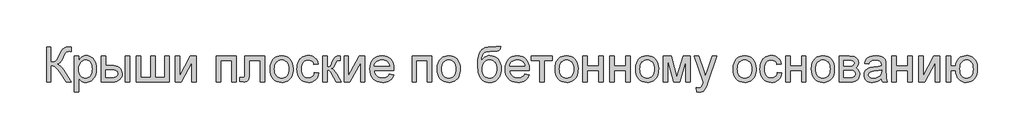
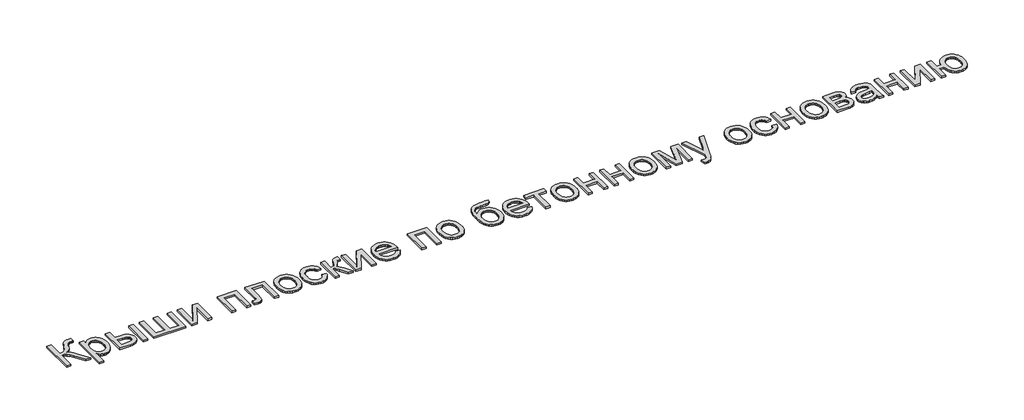
# One storey, part 2 of 3: 1 proxy.
"""IFC4 building model written with IfcOpenShell, lengths in millimetres."""

from ifc_helpers import new_model, si_unit, origin, origin_with_axes, place, context, project, spatial, polyline, outline, extrude, element, save

model = new_model("IFC4")

# Units and contexts
model_context = context("Model", 3, world=origin())
ifc_project = project(units=[si_unit("LENGTHUNIT", "METRE", prefix="MILLI")], contexts=[model_context])

# Site, building, storey
site = spatial("IfcSite", under=ifc_project)
building = spatial("IfcBuilding", under=site)
storey = spatial("IfcBuildingStorey", under=building, Elevation=0.0)

# Proxy
placement = place(None, origin())
element("IfcBuildingElementProxy", 1, Name="Generic Models", at=placement, inside=storey, context=model_context, shape_type="SweptSolid", body=[
    extrude(outline(polyline([(-2221.4493901, -2787.7817103), (-2123.5099961, -2787.7817103), (-2123.5099961, -3130.5695891), (-2087.4701642, -3128.9496199), (-2057.2048352, -3124.0897122), (-2032.7140089, -3115.9898661), (-2013.9976855, -3104.6500816), (-1997.3496623, -3086.7347762), (-1979.0637367, -3058.9083675), (-1937.578178, -2973.5222406), (-1907.8090018, -2907.5040115), (-1883.5393522, -2864.00993), (-1857.4763787, -2834.3363978), (-1822.327231, -2809.7798164), (-1780.6025624, -2793.2812369), (-1734.8130264, -2787.7817103), (-1670.5402992, -2788.9294376), (-1670.5402992, -2886.8688316), (-1692.1558295, -2886.2949679), (-1713.7713598, -2885.7211043), (-1737.8497215, -2887.1916299), (-1758.6283674, -2891.6032066), (-1776.1072973, -2898.9558344), (-1790.2865113, -2909.2495134), (-1803.4614639, -2924.4449442), (-1817.545034, -2946.3115399), (-1848.4380264, -3010.0582255), (-1886.3369374, -3089.4426952), (-1902.8654057, -3115.6491346), (-1917.7798825, -3132.8650437), (-1948.7924299, -3155.7239452), (-1985.4001477, -3173.418074), (-1947.4653702, -3189.5579888), (-1909.7936136, -3217.7012179), (-1872.3848778, -3257.8477615), (-1835.2391628, -3309.9976194), (-1670.5402992, -3571.2968619), (-1784.1652992, -3571.2968619), (-1923.4228749, -3350.5506497), (-1977.1986799, -3279.7502236), (-2021.4579128, -3235.2997028), (-2042.6490231, -3221.6166417), (-2066.7214071, -3211.8430266), (-2093.6750648, -3205.9788576), (-2123.5099961, -3204.0241346), (-2123.5099961, -3571.2968619), (-2221.4493901, -3571.2968619), (-2221.4493901, -2787.7817103)])), origin_with_axes(), (0.0, 0.0, 1.0), 40.0),
    extrude(outline(polyline([(-1597.0857537, -3791.6604982), (-1597.0857537, -2995.9029225), (-1499.1463598, -2995.9029225), (-1499.1463598, -3091.9294376), (-1467.201284, -3044.5617766), (-1431.4304507, -3010.7277331), (-1411.5843333, -2998.8858178), (-1389.7296931, -2990.4273069), (-1365.8665302, -2985.3522004), (-1339.9948446, -2983.6604982), (-1305.8380028, -2986.0276857), (-1273.7614166, -2993.1292482), (-1243.7650861, -3004.9651857), (-1215.8490113, -3021.5354982), (-1190.6229223, -3042.409788), (-1168.6965492, -3067.1576573), (-1150.069892, -3095.7791062), (-1134.7429507, -3128.2741346), (-1122.7755028, -3163.5308817), (-1114.2273257, -3200.4374869), (-1109.0984194, -3238.9939499), (-1107.388784, -3279.200271), (-1109.3195961, -3322.186244), (-1115.1120321, -3362.9604509), (-1124.7660923, -3401.5228917), (-1138.2817764, -3437.8735664), (-1155.4737746, -3471.0620134), (-1176.1567764, -3500.137771), (-1200.3307821, -3525.1008391), (-1227.9957916, -3545.9512179), (-1257.7948565, -3562.3959977), (-1288.3710283, -3574.1422691), (-1319.7243072, -3581.1900318), (-1351.8546931, -3583.5392861), (-1374.9706377, -3581.9671388), (-1396.8790776, -3577.2506971), (-1417.5800127, -3569.3899608), (-1437.0734431, -3558.38493), (-1471.4813503, -3529.9069471), (-1499.1463598, -3494.7817103), (-1499.1463598, -3791.6604982), (-1597.0857537, -3791.6604982)]), holes=[polyline([(-1499.1463598, -3288.1908013), (-1496.4982182, -3335.3910853), (-1488.5537935, -3375.9919376), (-1475.3130856, -3409.9933581), (-1456.7760946, -3437.3953467), (-1434.461168, -3458.4848353), (-1409.8866533, -3473.5487558), (-1383.0525506, -3482.5871081), (-1353.9588598, -3485.5998922), (-1324.4467267, -3482.4795086), (-1297.1224488, -3473.1183581), (-1271.986026, -3457.5164405), (-1249.0374583, -3435.6737558), (-1229.9146481, -3407.2794613), (-1216.255498, -3372.0227141), (-1208.060008, -3329.9035143), (-1205.328178, -3280.9218619), (-1207.9942528, -3234.1280645), (-1215.9924772, -3193.5989452), (-1229.3228513, -3159.3345039), (-1247.9853749, -3131.3347406), (-1270.3541013, -3109.5757444), (-1294.8030833, -3094.0336043), (-1321.332321, -3084.7083202), (-1349.9418143, -3081.5998922), (-1378.4616415, -3084.9055858), (-1405.2957443, -3094.8226668), (-1430.4441226, -3111.3511351), (-1453.9067764, -3134.4909906), (-1473.6990942, -3163.9313907), (-1487.8364639, -3199.3614925), (-1496.3188858, -3240.781296), (-1499.1463598, -3288.1908013)])]), origin_with_axes(), (0.0, 0.0, 1.0), 40.0),
    extrude(outline(polyline([(-458.5402992, -2995.9029225), (-360.6009052, -2995.9029225), (-360.6009052, -3571.2968619), (-458.5402992, -3571.2968619), (-458.5402992, -2995.9029225)])), origin_with_axes(), (0.0, 0.0, 1.0), 40.0),
    extrude(outline(polyline([(-997.2069658, -2995.9029225), (-899.2675719, -2995.9029225), (-899.2675719, -3204.0241346), (-778.1823446, -3204.0241346), (-722.4637722, -3207.0907184), (-673.5239639, -3216.2904698), (-631.3629199, -3231.6233888), (-595.9806401, -3253.0894755), (-567.9868546, -3279.9474892), (-547.9912935, -3311.4561895), (-535.9939568, -3347.6155763), (-531.9948446, -3388.4256497), (-535.3483603, -3424.8361019), (-545.4089071, -3458.5087463), (-562.1764853, -3489.443583), (-585.6510946, -3517.6406119), (-616.4902873, -3541.1152212), (-655.3516155, -3557.8827994), (-702.235079, -3567.9433462), (-757.140678, -3571.2968619), (-997.2069658, -3571.2968619), (-997.2069658, -2995.9029225)]), holes=[polyline([(-899.2675719, -3473.3574679), (-798.6501477, -3473.3574679), (-720.6525151, -3468.2166062), (-691.4452471, -3461.790529), (-668.765678, -3452.794021), (-651.7769232, -3441.0716606), (-639.6420984, -3426.4680266), (-632.3612035, -3408.983119), (-629.9342386, -3388.6169376), (-631.7335402, -3372.1542245), (-637.131445, -3356.6240399), (-646.1279531, -3342.0263836), (-658.7230643, -3328.3612558), (-677.4632987, -3316.8122501), (-704.8951761, -3308.5629603), (-741.0186964, -3303.6133865), (-785.8338598, -3301.9635285), (-899.2675719, -3301.9635285), (-899.2675719, -3473.3574679)])]), origin_with_axes(), (0.0, 0.0, 1.0), 40.0),
    extrude(outline(polyline([(-213.6918143, -2995.9029225), (-115.7524204, -2995.9029225), (-115.7524204, -3473.3574679), (104.611216, -3473.3574679), (104.611216, -2995.9029225), (202.5506099, -2995.9029225), (202.5506099, -3473.3574679), (422.9142463, -3473.3574679), (422.9142463, -2995.9029225), (520.8536402, -2995.9029225), (520.8536402, -3571.2968619), (-213.6918143, -3571.2968619), (-213.6918143, -2995.9029225)])), origin_with_axes(), (0.0, 0.0, 1.0), 40.0),
    extrude(outline(polyline([(655.5203069, -2995.9029225), (753.4597008, -2995.9029225), (753.4597008, -3434.7173164), (994.0998523, -2995.9029225), (1120.7324281, -2995.9029225), (1120.7324281, -3571.2968619), (1022.7930342, -3571.2968619), (1022.7930342, -3135.1604982), (783.6831857, -3571.2968619), (655.5203069, -3571.2968619), (655.5203069, -2995.9029225)])), origin_with_axes(), (0.0, 0.0, 1.0), 40.0),
    extrude(outline(polyline([(1573.7021251, -2995.9029225), (2014.4293978, -2995.9029225), (2014.4293978, -3571.2968619), (1916.4900039, -3571.2968619), (1916.4900039, -3093.8423164), (1671.641519, -3093.8423164), (1671.641519, -3571.2968619), (1573.7021251, -3571.2968619), (1573.7021251, -2995.9029225)])), origin_with_axes(), (0.0, 0.0, 1.0), 40.0),
    extrude(outline(polyline([(2210.3081857, -2995.9029225), (2651.0354584, -2995.9029225), (2651.0354584, -3570.7229982), (2553.0960645, -3570.7229982), (2553.0960645, -3093.8423164), (2308.2475796, -3093.8423164), (2308.2475796, -3368.3404225), (2306.5977217, -3448.011824), (2301.6481478, -3494.9729982), (2289.2861686, -3523.6422691), (2265.3990948, -3548.4379603), (2248.9244262, -3558.4387298), (2229.1500417, -3565.5821365), (2206.0759414, -3569.8681805), (2179.7021251, -3571.2968619), (2100.1263675, -3566.323377), (2100.1263675, -3473.3574679), (2143.9312917, -3473.3574679), (2170.4963959, -3471.8510759), (2188.2144357, -3467.3318997), (2199.2852217, -3459.5369187), (2205.9085645, -3448.2031119), (2209.2082804, -3420.2989925), (2210.3081857, -3362.793074), (2210.3081857, -2995.9029225)])), origin_with_axes(), (0.0, 0.0, 1.0), 40.0),
    extrude(outline(polyline([(2773.4597008, -3283.5998922), (2778.755984, -3209.0813079), (2785.3763379, -3175.6866287), (2794.6448334, -3144.8683581), (2806.5614705, -3116.6264961), (2821.1262491, -3090.9610427), (2838.3391693, -3067.871998), (2858.2002311, -3047.3593619), (2895.5252785, -3019.491109), (2936.7239054, -2999.5852141), (2981.7961118, -2987.6416772), (3030.7418978, -2983.6604982), (3084.7747458, -2988.5084504), (3133.6308656, -3003.0523069), (3177.3102572, -3027.2920678), (3215.8129205, -3061.2277331), (3247.2379324, -3103.7115754), (3269.6843694, -3153.5958675), (3283.1522316, -3210.8806095), (3287.641519, -3275.5658013), (3285.6569073, -3327.9906355), (3279.703072, -3374.5094566), (3269.7800133, -3415.1222643), (3255.8877311, -3449.8290588), (3238.1995801, -3479.8074561), (3216.8889148, -3506.2350721), (3191.9557354, -3529.1119068), (3163.4000417, -3548.4379603), (3132.3336947, -3563.7947904), (3099.868555, -3574.7639547), (3066.0046227, -3581.3454532), (3030.7418978, -3583.5392861), (2975.9199873, -3578.7092672), (2926.6095588, -3564.2192103), (2882.8106123, -3540.0691156), (2844.5231478, -3506.2589831), (2813.4328897, -3463.3626763), (2791.2255626, -3411.9540588), (2777.9011663, -3352.0331308), (2773.4597008, -3283.5998922)]), holes=[polyline([(2871.3990948, -3283.4086043), (2874.2325465, -3330.9137534), (2882.7329016, -3372.0466251), (2896.9001601, -3406.8072193), (2916.734322, -3435.1955361), (2940.8605057, -3457.2474419), (2967.9038296, -3472.9988031), (2997.8642936, -3482.4496199), (3030.7418978, -3485.5998922), (3063.4521251, -3482.4316867), (3093.2930342, -3472.9270702), (3120.2646251, -3457.0860427), (3144.3668978, -3434.9086043), (3164.2010597, -3406.2393335), (3178.3683182, -3370.9228088), (3186.8686734, -3328.9590304), (3189.7021251, -3280.3479982), (3186.8507401, -3234.3492411), (3178.2965853, -3194.2923638), (3164.0396606, -3160.1773661), (3144.079966, -3132.0042482), (3119.8880271, -3109.9523424), (3092.9343694, -3094.2009812), (3063.218993, -3084.7501644), (3030.7418978, -3081.5998922), (2997.8642936, -3084.7382089), (2967.9038296, -3094.1531592), (2940.8605057, -3109.844743), (2916.734322, -3131.8129603), (2896.9001601, -3160.1175887), (2882.7329016, -3194.8184054), (2874.2325465, -3235.9154106), (2871.3990948, -3283.4086043)])]), origin_with_axes(), (0.0, 0.0, 1.0), 40.0),
    extrude(outline(polyline([(3765.0960645, -3363.1756497), (3863.0354584, -3375.418074), (3852.3831147, -3421.6320299), (3835.7291137, -3462.5257918), (3813.0734556, -3498.0993595), (3784.4161402, -3528.3527331), (3750.9646724, -3552.49685), (3713.9265569, -3569.7426478), (3673.3017936, -3580.0901265), (3629.0903826, -3583.5392861), (3574.1608727, -3578.7272004), (3524.9102217, -3564.2909433), (3481.3384295, -3540.2305148), (3443.4454963, -3506.5459149), (3412.7736805, -3463.8707847), (3390.8652406, -3412.8387653), (3377.7201767, -3353.4498567), (3373.3384887, -3285.7040588), (3375.2095233, -3240.6736966), (3380.822627, -3198.5485191), (3390.1777998, -3159.3285262), (3403.2750417, -3123.0137179), (3420.204019, -3090.3333794), (3441.0543978, -3062.0167956), (3465.8261781, -3038.0639665), (3494.5193599, -3018.4748922), (3525.8367723, -3003.2435948), (3558.4812444, -2992.3640967), (3592.4527761, -2985.8363978), (3627.7513675, -2983.6604982), (3671.2036047, -2986.6493713), (3710.5072861, -2995.6159906), (3745.6624115, -3010.5603562), (3776.6689811, -3031.4824679), (3803.0009532, -3057.9041062), (3824.1322861, -3089.3470513), (3840.0629797, -3125.8113031), (3850.7930342, -3167.2968619), (3752.8536402, -3179.5392861), (3745.2081028, -3156.6624513), (3735.0877785, -3136.8103562), (3722.4926672, -3119.9830006), (3707.422769, -3106.1803846), (3690.2606596, -3095.4264192), (3671.3889148, -3087.7450153), (3650.8075346, -3083.1361729), (3628.516519, -3081.5998922), (3595.2384058, -3084.6246317), (3565.2241421, -3093.6988505), (3538.4737278, -3108.8225484), (3514.9871629, -3129.9957255), (3495.8643528, -3157.7085569), (3482.2052027, -3192.4512179), (3474.0097127, -3234.2237085), (3471.2778826, -3283.0260285), (3473.9499352, -3332.5636114), (3481.9660929, -3374.8202994), (3495.3263557, -3409.7960924), (3514.0307236, -3437.4909906), (3537.0510242, -3458.5386351), (3563.3590853, -3473.5726668), (3592.9549068, -3482.5930858), (3625.8384887, -3485.5998922), (3652.3378377, -3483.7228799), (3676.5536876, -3478.0918429), (3698.4860384, -3468.7067814), (3718.1348902, -3455.5676952), (3734.9502903, -3438.5311185), (3748.3822861, -3417.4535853), (3758.4308774, -3392.3350958), (3765.0960645, -3363.1756497)])), origin_with_axes(), (0.0, 0.0, 1.0), 40.0),
    extrude(outline(polyline([(3948.7324281, -2995.9029225), (4046.671822, -2995.9029225), (4046.671822, -3240.7514073), (4086.5075228, -3236.3517861), (4101.153001, -3230.8522596), (4112.2835645, -3223.1529225), (4135.094644, -3188.7211043), (4166.0354584, -3120.6226194), (4190.9746156, -3064.9339357), (4210.7011781, -3032.1519755), (4229.1126364, -3014.2904698), (4250.1064811, -3003.3631497), (4279.1583277, -2997.7679793), (4321.7437917, -2995.9029225), (4340.4900039, -2995.9029225), (4340.4900039, -3094.41618), (4314.0922766, -3093.8423164), (4283.486216, -3096.4247028), (4266.2703069, -3104.1718619), (4252.3062917, -3125.7395702), (4232.6036402, -3168.635877), (4211.9206383, -3211.6039168), (4193.1026932, -3238.3603088), (4170.3155247, -3256.2218145), (4137.7248523, -3272.5051952), (4168.7613107, -3286.289878), (4199.5108372, -3310.619305), (4229.9734319, -3345.4934764), (4260.1490948, -3390.9123922), (4364.9748523, -3571.2968619), (4253.6453069, -3571.2968619), (4150.923716, -3394.7381497), (4123.1869736, -3347.7530645), (4099.2759887, -3320.0402331), (4075.125894, -3306.4827047), (4046.671822, -3301.9635285), (4046.671822, -3571.2968619), (3948.7324281, -3571.2968619), (3948.7324281, -2995.9029225)])), origin_with_axes(), (0.0, 0.0, 1.0), 40.0),
    extrude(outline(polyline([(4426.1869736, -2995.9029225), (4524.1263675, -2995.9029225), (4524.1263675, -3434.7173164), (4764.766519, -2995.9029225), (4891.3990948, -2995.9029225), (4891.3990948, -3571.2968619), (4793.4597008, -3571.2968619), (4793.4597008, -3135.1604982), (4554.3498523, -3571.2968619), (4426.1869736, -3571.2968619), (4426.1869736, -2995.9029225)])), origin_with_axes(), (0.0, 0.0, 1.0), 40.0),
    extrude(outline(polyline([(5441.1604584, -3399.9029225), (5537.1869736, -3412.1453467), (5522.4637846, -3450.6061658), (5502.5877785, -3484.4999869), (5477.5589551, -3513.8268098), (5447.3773145, -3538.5866346), (5412.3536994, -3558.2534196), (5372.7989527, -3572.3011232), (5328.7130744, -3580.7297454), (5280.0960645, -3583.5392861), (5219.3262965, -3578.6913339), (5165.1798713, -3564.1474774), (5117.6567889, -3539.9077165), (5076.7570493, -3505.9720513), (5043.8674897, -3463.2849656), (5020.374947, -3412.7909433), (5006.2794215, -3354.4899845), (5001.5809129, -3288.3820891), (5006.3272434, -3220.0325389), (5020.5662349, -3159.7888126), (5044.2978874, -3107.6509102), (5077.5222008, -3063.6188316), (5118.314341, -3028.6370607), (5164.7494736, -3003.6500816), (5216.8275986, -2988.6578941), (5274.548716, -2983.6604982), (5330.4107543, -2988.6459386), (5380.9286876, -3003.6022596), (5426.1025157, -3028.5294613), (5465.9322387, -3063.4275437), (5498.4452004, -3107.3639783), (5521.6687444, -3159.4062369), (5535.6028708, -3219.5543192), (5540.2475796, -3287.8082255), (5539.673716, -3314.2059528), (5099.5203069, -3314.2059528), (5105.193188, -3353.2884575), (5116.4731951, -3387.5170323), (5133.3603282, -3416.8916772), (5155.8545872, -3441.4123922), (5182.7126009, -3460.7444234), (5212.6909982, -3474.5530172), (5245.7897789, -3482.8381734), (5282.0089432, -3485.5998922), (5334.1348902, -3480.4829414), (5378.0354584, -3465.1320891), (5396.9012254, -3453.3798401), (5413.7106478, -3438.590896), (5428.4637254, -3420.7652567), (5441.1604584, -3399.9029225)]), holes=[polyline([(5099.5203069, -3216.2665588), (5442.3081857, -3216.2665588), (5437.2749234, -3188.5537274), (5429.0615001, -3164.5231876), (5417.6679158, -3144.1749395), (5403.0941705, -3127.5089831), (5376.3856004, -3107.4237558), (5345.9947387, -3093.0771649), (5311.9215853, -3084.4692103), (5274.1661402, -3081.5998922), (5239.7283443, -3083.889369), (5208.1479111, -3090.7577994), (5179.4248405, -3102.2051834), (5153.5591326, -3118.231521), (5131.8539361, -3138.0955716), (5115.6123997, -3161.0560948), (5104.8345233, -3187.1130906), (5099.5203069, -3216.2665588)])]), origin_with_axes(), (0.0, 0.0, 1.0), 40.0),
    extrude(outline(polyline([(5944.2475796, -2995.9029225), (6384.9748523, -2995.9029225), (6384.9748523, -3571.2968619), (6287.0354584, -3571.2968619), (6287.0354584, -3093.8423164), (6042.1869736, -3093.8423164), (6042.1869736, -3571.2968619), (5944.2475796, -3571.2968619), (5944.2475796, -2995.9029225)])), origin_with_axes(), (0.0, 0.0, 1.0), 40.0),
    extrude(outline(polyline([(6507.3990948, -3283.5998922), (6512.6953779, -3209.0813079), (6519.3157318, -3175.6866287), (6528.5842273, -3144.8683581), (6540.5008644, -3116.6264961), (6555.0656431, -3090.9610427), (6572.2785633, -3067.871998), (6592.1396251, -3047.3593619), (6629.4646724, -3019.491109), (6670.6632993, -2999.5852141), (6715.7355057, -2987.6416772), (6764.6812917, -2983.6604982), (6818.7141397, -2988.5084504), (6867.5702595, -3003.0523069), (6911.2496511, -3027.2920678), (6949.7523145, -3061.2277331), (6981.1773263, -3103.7115754), (7003.6237633, -3153.5958675), (7017.0916255, -3210.8806095), (7021.5809129, -3275.5658013), (7019.5963012, -3327.9906355), (7013.642466, -3374.5094566), (7003.7194073, -3415.1222643), (6989.8271251, -3449.8290588), (6972.138974, -3479.8074561), (6950.8283088, -3506.2350721), (6925.8951293, -3529.1119068), (6897.3394357, -3548.4379603), (6866.2730886, -3563.7947904), (6833.8079489, -3574.7639547), (6799.9440166, -3581.3454532), (6764.6812917, -3583.5392861), (6709.8593812, -3578.7092672), (6660.5489527, -3564.2192103), (6616.7500062, -3540.0691156), (6578.4625417, -3506.2589831), (6547.3722837, -3463.3626763), (6525.1649565, -3411.9540588), (6511.8405602, -3352.0331308), (6507.3990948, -3283.5998922)]), holes=[polyline([(6605.3384887, -3283.4086043), (6608.1719404, -3330.9137534), (6616.6722955, -3372.0466251), (6630.839554, -3406.8072193), (6650.673716, -3435.1955361), (6674.7998997, -3457.2474419), (6701.8432236, -3472.9988031), (6731.8036876, -3482.4496199), (6764.6812917, -3485.5998922), (6797.391519, -3482.4316867), (6827.2324281, -3472.9270702), (6854.204019, -3457.0860427), (6878.3062917, -3434.9086043), (6898.1404537, -3406.2393335), (6912.3077122, -3370.9228088), (6920.8080673, -3328.9590304), (6923.641519, -3280.3479982), (6920.7901341, -3234.3492411), (6912.2359792, -3194.2923638), (6897.9790545, -3160.1773661), (6878.0193599, -3132.0042482), (6853.827421, -3109.9523424), (6826.8737633, -3094.2009812), (6797.1583869, -3084.7501644), (6764.6812917, -3081.5998922), (6731.8036876, -3084.7382089), (6701.8432236, -3094.1531592), (6674.7998997, -3109.844743), (6650.673716, -3131.8129603), (6630.839554, -3160.1175887), (6616.6722955, -3194.8184054), (6608.1719404, -3235.9154106), (6605.3384887, -3283.4086043)])]), origin_with_axes(), (0.0, 0.0, 1.0), 40.0),
    extrude(outline(polyline([(7841.8233372, -2775.5392861), (7927.5203069, -2775.5392861), (7918.2428448, -2822.0939736), (7911.0934603, -2839.1126171), (7902.2703069, -2851.9587937), (7880.1287349, -2869.6290115), (7852.3441705, -2879.5998922), (7807.0567652, -2884.1908013), (7732.4066705, -2885.7211043), (7677.9075583, -2887.1318524), (7632.8174186, -2891.3640967), (7597.1362515, -2898.4178372), (7570.8640569, -2908.293074), (7550.8146961, -2921.2767388), (7533.8020304, -2937.6557634), (7519.8260597, -2957.4301478), (7508.8867842, -2980.5998922), (7494.2293504, -3037.4602141), (7487.9407614, -3108.5714831), (7506.8722837, -3079.2566156), (7527.3221535, -3053.8631497), (7549.2903708, -3032.3910853), (7572.7769357, -3014.8404225), (7597.7938036, -3001.1992056), (7624.35293, -2991.4554793), (7652.4543149, -2985.6092435), (7682.0979584, -2983.6604982), (7735.4553211, -2988.6160498), (7784.0065758, -3003.4827047), (7827.7517226, -3028.2604627), (7866.6907614, -3062.949324), (7898.6597482, -3106.0907184), (7921.4947387, -3156.2260759), (7935.195733, -3213.3553964), (7939.7627311, -3277.47868), (7937.4971653, -3326.5320655), (7930.7004679, -3370.9706308), (7919.3726388, -3410.7943761), (7903.5136781, -3446.0033013), (7884.5462894, -3477.0337818), (7863.8931762, -3504.3221933), (7841.5543386, -3527.8685356), (7817.5297766, -3547.6728088), (7790.4147198, -3563.3643926), (7758.8043978, -3574.5726668), (7722.6988107, -3581.2976313), (7682.0979584, -3583.5392861), (7635.1308064, -3580.6520347), (7593.6990474, -3571.9902804), (7557.8026814, -3557.5540233), (7527.4417084, -3537.3432634), (7501.4564456, -3512.6312605), (7478.6872103, -3484.6912747), (7459.1340024, -3453.523306), (7442.796822, -3419.1273543), (7429.9088012, -3376.4402686), (7420.703072, -3320.3988978), (7415.1796345, -3251.0032421), (7413.3384887, -3168.2533013), (7417.9831975, -3065.1312013), (7431.9173239, -2980.3368713), (7442.3679187, -2944.81262), (7455.140868, -2913.8703112), (7470.2361716, -2887.5099448), (7487.6538296, -2865.731521), (7507.4805194, -2847.4620341), (7529.8029182, -2831.6284788), (7554.621026, -2818.2308551), (7581.9348429, -2807.269163), (7644.0496038, -2792.6535735), (7716.1472008, -2787.7817103), (7825.1812917, -2785.5818997), (7835.845591, -2781.971341), (7841.8233372, -2775.5392861)]), holes=[polyline([(7841.8233372, -3274.418074), (7839.1692179, -3233.9666654), (7831.2068599, -3197.3529698), (7817.9362633, -3164.5769873), (7799.3574281, -3135.6387179), (7775.9485739, -3111.9967317), (7748.1879205, -3095.1095986), (7716.0754679, -3084.9773188), (7679.611216, -3081.5998922), (7641.5568836, -3085.1686067), (7608.1173713, -3095.8747501), (7579.292679, -3113.7183226), (7555.0828069, -3138.699324), (7535.9181525, -3169.6461161), (7522.2291137, -3205.3870607), (7514.0156904, -3245.9221578), (7511.2778826, -3291.2514073), (7514.3026222, -3335.6361729), (7523.376841, -3374.4855456), (7538.5005389, -3407.7995252), (7559.673716, -3435.5781119), (7585.2823807, -3457.4626407), (7613.7125417, -3473.0944471), (7644.9641989, -3482.4735309), (7679.0373523, -3485.5998922), (7713.57677, -3481.9833557), (7744.6969167, -3471.1337463), (7772.3977927, -3453.051064), (7796.6793978, -3427.7353088), (7816.4298713, -3396.4537629), (7830.5373523, -3360.4737085), (7839.001841, -3319.7951455), (7841.8233372, -3274.418074)])]), origin_with_axes(), (0.0, 0.0, 1.0), 40.0),
    extrude(outline(polyline([(8465.0392463, -3399.9029225), (8561.0657614, -3412.1453467), (8546.3425725, -3450.6061658), (8526.4665664, -3484.4999869), (8501.437743, -3513.8268098), (8471.2561023, -3538.5866346), (8436.2324873, -3558.2534196), (8396.6777406, -3572.3011232), (8352.5918623, -3580.7297454), (8303.9748523, -3583.5392861), (8243.2050843, -3578.6913339), (8189.0586592, -3564.1474774), (8141.5355768, -3539.9077165), (8100.6358372, -3505.9720513), (8067.7462775, -3463.2849656), (8044.2537349, -3412.7909433), (8030.1582093, -3354.4899845), (8025.4597008, -3288.3820891), (8030.2060313, -3220.0325389), (8044.4450228, -3159.7888126), (8068.1766753, -3107.6509102), (8101.4009887, -3063.6188316), (8142.1931289, -3028.6370607), (8188.6282614, -3003.6500816), (8240.7063864, -2988.6578941), (8298.4275039, -2983.6604982), (8354.2895422, -2988.6459386), (8404.8074754, -3003.6022596), (8449.9813036, -3028.5294613), (8489.8110266, -3063.4275437), (8522.3239882, -3107.3639783), (8545.5475323, -3159.4062369), (8559.4816587, -3219.5543192), (8564.1263675, -3287.8082255), (8563.5525039, -3314.2059528), (8123.3990948, -3314.2059528), (8129.0719759, -3353.2884575), (8140.351983, -3387.5170323), (8157.2391161, -3416.8916772), (8179.7333751, -3441.4123922), (8206.5913888, -3460.7444234), (8236.5697861, -3474.5530172), (8269.6685668, -3482.8381734), (8305.8877311, -3485.5998922), (8358.0136781, -3480.4829414), (8401.9142463, -3465.1320891), (8420.7800133, -3453.3798401), (8437.5894357, -3438.590896), (8452.3425133, -3420.7652567), (8465.0392463, -3399.9029225)]), holes=[polyline([(8123.3990948, -3216.2665588), (8466.1869736, -3216.2665588), (8461.1537112, -3188.5537274), (8452.9402879, -3164.5231876), (8441.5467037, -3144.1749395), (8426.9729584, -3127.5089831), (8400.2643883, -3107.4237558), (8369.8735266, -3093.0771649), (8335.8003732, -3084.4692103), (8298.0449281, -3081.5998922), (8263.6071322, -3083.889369), (8232.0266989, -3090.7577994), (8203.3036284, -3102.2051834), (8177.4379205, -3118.231521), (8155.732724, -3138.0955716), (8139.4911876, -3161.0560948), (8128.7133111, -3187.1130906), (8123.3990948, -3216.2665588)])]), origin_with_axes(), (0.0, 0.0, 1.0), 40.0),
    extrude(outline(polyline([(8613.0960645, -2995.9029225), (9078.3081857, -2995.9029225), (9078.3081857, -3093.8423164), (8894.671822, -3093.8423164), (8894.671822, -3571.2968619), (8796.7324281, -3571.2968619), (8796.7324281, -3093.8423164), (8613.0960645, -3093.8423164), (8613.0960645, -2995.9029225)])), origin_with_axes(), (0.0, 0.0, 1.0), 40.0),
    extrude(outline(polyline([(9139.5203069, -3283.5998922), (9144.81659, -3209.0813079), (9151.436944, -3175.6866287), (9160.7054395, -3144.8683581), (9172.6220765, -3116.6264961), (9187.1868552, -3090.9610427), (9204.3997754, -3067.871998), (9224.2608372, -3047.3593619), (9261.5858845, -3019.491109), (9302.7845114, -2999.5852141), (9347.8567179, -2987.6416772), (9396.8025039, -2983.6604982), (9450.8353519, -2988.5084504), (9499.6914717, -3003.0523069), (9543.3708632, -3027.2920678), (9581.8735266, -3061.2277331), (9613.2985384, -3103.7115754), (9635.7449754, -3153.5958675), (9649.2128377, -3210.8806095), (9653.7021251, -3275.5658013), (9651.7175133, -3327.9906355), (9645.7636781, -3374.5094566), (9635.8406194, -3415.1222643), (9621.9483372, -3449.8290588), (9604.2601861, -3479.8074561), (9582.9495209, -3506.2350721), (9558.0163414, -3529.1119068), (9529.4606478, -3548.4379603), (9498.3943007, -3563.7947904), (9465.9291611, -3574.7639547), (9432.0652288, -3581.3454532), (9396.8025039, -3583.5392861), (9341.9805933, -3578.7092672), (9292.6701648, -3564.2192103), (9248.8712183, -3540.0691156), (9210.5837539, -3506.2589831), (9179.4934958, -3463.3626763), (9157.2861686, -3411.9540588), (9143.9617723, -3352.0331308), (9139.5203069, -3283.5998922)]), holes=[polyline([(9237.4597008, -3283.4086043), (9240.2931525, -3330.9137534), (9248.7935076, -3372.0466251), (9262.9607662, -3406.8072193), (9282.7949281, -3435.1955361), (9306.9211118, -3457.2474419), (9333.9644357, -3472.9988031), (9363.9248997, -3482.4496199), (9396.8025039, -3485.5998922), (9429.5127311, -3482.4316867), (9459.3536402, -3472.9270702), (9486.3252311, -3457.0860427), (9510.4275039, -3434.9086043), (9530.2616658, -3406.2393335), (9544.4289243, -3370.9228088), (9552.9292794, -3328.9590304), (9555.7627311, -3280.3479982), (9552.9113462, -3234.3492411), (9544.3571914, -3194.2923638), (9530.1002666, -3160.1773661), (9510.140572, -3132.0042482), (9485.9486331, -3109.9523424), (9458.9949754, -3094.2009812), (9429.279599, -3084.7501644), (9396.8025039, -3081.5998922), (9363.9248997, -3084.7382089), (9333.9644357, -3094.1531592), (9306.9211118, -3109.844743), (9282.7949281, -3131.8129603), (9262.9607662, -3160.1175887), (9248.7935076, -3194.8184054), (9240.2931525, -3235.9154106), (9237.4597008, -3283.4086043)])]), origin_with_axes(), (0.0, 0.0, 1.0), 40.0),
    extrude(outline(polyline([(9763.8839432, -2995.9029225), (9861.8233372, -2995.9029225), (9861.8233372, -3216.2665588), (10118.9142463, -3216.2665588), (10118.9142463, -2995.9029225), (10216.8536402, -2995.9029225), (10216.8536402, -3571.2968619), (10118.9142463, -3571.2968619), (10118.9142463, -3314.2059528), (9861.8233372, -3314.2059528), (9861.8233372, -3571.2968619), (9763.8839432, -3571.2968619), (9763.8839432, -2995.9029225)])), origin_with_axes(), (0.0, 0.0, 1.0), 40.0),
    extrude(outline(polyline([(10363.7627311, -2995.9029225), (10461.7021251, -2995.9029225), (10461.7021251, -3216.2665588), (10718.7930342, -3216.2665588), (10718.7930342, -2995.9029225), (10816.7324281, -2995.9029225), (10816.7324281, -3571.2968619), (10718.7930342, -3571.2968619), (10718.7930342, -3314.2059528), (10461.7021251, -3314.2059528), (10461.7021251, -3571.2968619), (10363.7627311, -3571.2968619), (10363.7627311, -2995.9029225)])), origin_with_axes(), (0.0, 0.0, 1.0), 40.0),
    extrude(outline(polyline([(10939.1566705, -3283.5998922), (10944.4529537, -3209.0813079), (10951.0733076, -3175.6866287), (10960.3418031, -3144.8683581), (10972.2584402, -3116.6264961), (10986.8232188, -3090.9610427), (11004.036139, -3067.871998), (11023.8972008, -3047.3593619), (11061.2222482, -3019.491109), (11102.4208751, -2999.5852141), (11147.4930815, -2987.6416772), (11196.4388675, -2983.6604982), (11250.4717155, -2988.5084504), (11299.3278353, -3003.0523069), (11343.0072269, -3027.2920678), (11381.5098902, -3061.2277331), (11412.9349021, -3103.7115754), (11435.3813391, -3153.5958675), (11448.8492013, -3210.8806095), (11453.3384887, -3275.5658013), (11451.353877, -3327.9906355), (11445.4000417, -3374.5094566), (11435.476983, -3415.1222643), (11421.5847008, -3449.8290588), (11403.8965498, -3479.8074561), (11382.5858845, -3506.2350721), (11357.6527051, -3529.1119068), (11329.0970114, -3548.4379603), (11298.0306644, -3563.7947904), (11265.5655247, -3574.7639547), (11231.7015924, -3581.3454532), (11196.4388675, -3583.5392861), (11141.616957, -3578.7092672), (11092.3065285, -3564.2192103), (11048.507582, -3540.0691156), (11010.2201175, -3506.2589831), (10979.1298594, -3463.3626763), (10956.9225323, -3411.9540588), (10943.598136, -3352.0331308), (10939.1566705, -3283.5998922)]), holes=[polyline([(11037.0960645, -3283.4086043), (11039.9295162, -3330.9137534), (11048.4298713, -3372.0466251), (11062.5971298, -3406.8072193), (11082.4312917, -3435.1955361), (11106.5574754, -3457.2474419), (11133.6007993, -3472.9988031), (11163.5612633, -3482.4496199), (11196.4388675, -3485.5998922), (11229.1490948, -3482.4316867), (11258.9900039, -3472.9270702), (11285.9615948, -3457.0860427), (11310.0638675, -3434.9086043), (11329.8980294, -3406.2393335), (11344.0652879, -3370.9228088), (11352.5656431, -3328.9590304), (11355.3990948, -3280.3479982), (11352.5477098, -3234.3492411), (11343.993555, -3194.2923638), (11329.7366303, -3160.1773661), (11309.7769357, -3132.0042482), (11285.5849968, -3109.9523424), (11258.6313391, -3094.2009812), (11228.9159627, -3084.7501644), (11196.4388675, -3081.5998922), (11163.5612633, -3084.7382089), (11133.6007993, -3094.1531592), (11106.5574754, -3109.844743), (11082.4312917, -3131.8129603), (11062.5971298, -3160.1175887), (11048.4298713, -3194.8184054), (11039.9295162, -3235.9154106), (11037.0960645, -3283.4086043)])]), origin_with_axes(), (0.0, 0.0, 1.0), 40.0),
    extrude(outline(polyline([(11563.5203069, -2995.9029225), (11732.0449281, -2995.9029225), (11861.9293978, -3456.5241346), (12001.9521251, -2995.9029225), (12163.3990948, -2995.9029225), (12163.3990948, -3571.2968619), (12065.4597008, -3571.2968619), (12065.4597008, -3107.9976194), (11924.671822, -3571.2968619), (11796.1263675, -3571.2968619), (11661.4597008, -3085.8082255), (11661.4597008, -3571.2968619), (11563.5203069, -3571.2968619), (11563.5203069, -2995.9029225)])), origin_with_axes(), (0.0, 0.0, 1.0), 40.0),
    extrude(outline(polyline([(12310.3081857, -3791.6604982), (12298.0657614, -3697.355574), (12324.7504205, -3703.8115399), (12347.8006099, -3705.9635285), (12373.9592273, -3703.2615872), (12394.2835645, -3695.1557634), (12410.1126364, -3682.2199206), (12422.7854584, -3665.0279225), (12449.5657614, -3592.9123922), (12457.2172766, -3569.1926952), (12249.0960645, -2995.9029225), (12352.391519, -2995.9029225), (12462.7646251, -3315.35368), (12501.2134887, -3443.1339831), (12539.6623523, -3330.2741346), (12653.0960645, -2995.9029225), (12755.6263675, -2995.9029225), (12555.3479584, -3585.0695891), (12525.6026932, -3663.4019755), (12503.3176554, -3712.8498922), (12476.6808182, -3753.6420323), (12446.5051554, -3781.9048164), (12411.4516516, -3798.403396), (12370.1812917, -3803.9029225), (12341.8228637, -3800.8423164), (12310.3081857, -3791.6604982)])), origin_with_axes(), (0.0, 0.0, 1.0), 40.0),
    extrude(outline(polyline([(13118.3081857, -3283.5998922), (13123.6044688, -3209.0813079), (13130.2248227, -3175.6866287), (13139.4933182, -3144.8683581), (13151.4099553, -3116.6264961), (13165.974734, -3090.9610427), (13183.1876542, -3067.871998), (13203.048716, -3047.3593619), (13240.3737633, -3019.491109), (13281.5723902, -2999.5852141), (13326.6445967, -2987.6416772), (13375.5903826, -2983.6604982), (13429.6232307, -2988.5084504), (13478.4793504, -3003.0523069), (13522.158742, -3027.2920678), (13560.6614054, -3061.2277331), (13592.0864172, -3103.7115754), (13614.5328542, -3153.5958675), (13628.0007164, -3210.8806095), (13632.4900039, -3275.5658013), (13630.5053921, -3327.9906355), (13624.5515569, -3374.5094566), (13614.6284982, -3415.1222643), (13600.736216, -3449.8290588), (13583.0480649, -3479.8074561), (13561.7373997, -3506.2350721), (13536.8042202, -3529.1119068), (13508.2485266, -3548.4379603), (13477.1821795, -3563.7947904), (13444.7170398, -3574.7639547), (13410.8531075, -3581.3454532), (13375.5903826, -3583.5392861), (13320.7684721, -3578.7092672), (13271.4580436, -3564.2192103), (13227.6590971, -3540.0691156), (13189.3716326, -3506.2589831), (13158.2813746, -3463.3626763), (13136.0740474, -3411.9540588), (13122.7496511, -3352.0331308), (13118.3081857, -3283.5998922)]), holes=[polyline([(13216.2475796, -3283.4086043), (13219.0810313, -3330.9137534), (13227.5813864, -3372.0466251), (13241.748645, -3406.8072193), (13261.5828069, -3435.1955361), (13285.7089906, -3457.2474419), (13312.7523145, -3472.9988031), (13342.7127785, -3482.4496199), (13375.5903826, -3485.5998922), (13408.3006099, -3482.4316867), (13438.141519, -3472.9270702), (13465.1131099, -3457.0860427), (13489.2153826, -3434.9086043), (13509.0495446, -3406.2393335), (13523.2168031, -3370.9228088), (13531.7171582, -3328.9590304), (13534.5506099, -3280.3479982), (13531.699225, -3234.3492411), (13523.1450701, -3194.2923638), (13508.8881454, -3160.1773661), (13488.9284508, -3132.0042482), (13464.7365119, -3109.9523424), (13437.7828542, -3094.2009812), (13408.0674778, -3084.7501644), (13375.5903826, -3081.5998922), (13342.7127785, -3084.7382089), (13312.7523145, -3094.1531592), (13285.7089906, -3109.844743), (13261.5828069, -3131.8129603), (13241.748645, -3160.1175887), (13227.5813864, -3194.8184054), (13219.0810313, -3235.9154106), (13216.2475796, -3283.4086043)])]), origin_with_axes(), (0.0, 0.0, 1.0), 40.0),
    extrude(outline(polyline([(14109.9445493, -3363.1756497), (14207.8839432, -3375.418074), (14197.2315995, -3421.6320299), (14180.5775986, -3462.5257918), (14157.9219404, -3498.0993595), (14129.2646251, -3528.3527331), (14095.8131573, -3552.49685), (14058.7750417, -3569.7426478), (14018.1502785, -3580.0901265), (13973.9388675, -3583.5392861), (13919.0093575, -3578.7272004), (13869.7587065, -3564.2909433), (13826.1869144, -3540.2305148), (13788.2939811, -3506.5459149), (13757.6221653, -3463.8707847), (13735.7137254, -3412.8387653), (13722.5686615, -3353.4498567), (13718.1869736, -3285.7040588), (13720.0580081, -3240.6736966), (13725.6711118, -3198.5485191), (13735.0262846, -3159.3285262), (13748.1235266, -3123.0137179), (13765.0525039, -3090.3333794), (13785.9028826, -3062.0167956), (13810.6746629, -3038.0639665), (13839.3678448, -3018.4748922), (13870.6852572, -3003.2435948), (13903.3297292, -2992.3640967), (13937.301261, -2985.8363978), (13972.5998523, -2983.6604982), (14016.0520896, -2986.6493713), (14055.3557709, -2995.6159906), (14090.5108964, -3010.5603562), (14121.517466, -3031.4824679), (14147.849438, -3057.9041062), (14168.9807709, -3089.3470513), (14184.9114646, -3125.8113031), (14195.641519, -3167.2968619), (14097.7021251, -3179.5392861), (14090.0565877, -3156.6624513), (14079.9362633, -3136.8103562), (14067.3411521, -3119.9830006), (14052.2712539, -3106.1803846), (14035.1091445, -3095.4264192), (14016.2373997, -3087.7450153), (13995.6560195, -3083.1361729), (13973.3650039, -3081.5998922), (13940.0868907, -3084.6246317), (13910.072627, -3093.6988505), (13883.3222127, -3108.8225484), (13859.8356478, -3129.9957255), (13840.7128377, -3157.7085569), (13827.0536876, -3192.4512179), (13818.8581975, -3234.2237085), (13816.1263675, -3283.0260285), (13818.79842, -3332.5636114), (13826.8145777, -3374.8202994), (13840.1748405, -3409.7960924), (13858.8792084, -3437.4909906), (13881.8995091, -3458.5386351), (13908.2075701, -3473.5726668), (13937.8033916, -3482.5930858), (13970.6869736, -3485.5998922), (13997.1863225, -3483.7228799), (14021.4021724, -3478.0918429), (14043.3345233, -3468.7067814), (14062.9833751, -3455.5676952), (14079.7987752, -3438.5311185), (14093.2307709, -3417.4535853), (14103.2793623, -3392.3350958), (14109.9445493, -3363.1756497)])), origin_with_axes(), (0.0, 0.0, 1.0), 40.0),
    extrude(outline(polyline([(14293.5809129, -2995.9029225), (14391.5203069, -2995.9029225), (14391.5203069, -3216.2665588), (14648.611216, -3216.2665588), (14648.611216, -2995.9029225), (14746.5506099, -2995.9029225), (14746.5506099, -3571.2968619), (14648.611216, -3571.2968619), (14648.611216, -3314.2059528), (14391.5203069, -3314.2059528), (14391.5203069, -3571.2968619), (14293.5809129, -3571.2968619), (14293.5809129, -2995.9029225)])), origin_with_axes(), (0.0, 0.0, 1.0), 40.0),
    extrude(outline(polyline([(14868.9748523, -3283.5998922), (14874.2711355, -3209.0813079), (14880.8914894, -3175.6866287), (14890.1599849, -3144.8683581), (14902.076622, -3116.6264961), (14916.6414006, -3090.9610427), (14933.8543209, -3067.871998), (14953.7153826, -3047.3593619), (14991.04043, -3019.491109), (15032.2390569, -2999.5852141), (15077.3112633, -2987.6416772), (15126.2570493, -2983.6604982), (15180.2898973, -2988.5084504), (15229.1460171, -3003.0523069), (15272.8254087, -3027.2920678), (15311.328072, -3061.2277331), (15342.7530839, -3103.7115754), (15365.1995209, -3153.5958675), (15378.6673831, -3210.8806095), (15383.1566705, -3275.5658013), (15381.1720588, -3327.9906355), (15375.2182236, -3374.5094566), (15365.2951648, -3415.1222643), (15351.4028826, -3449.8290588), (15333.7147316, -3479.8074561), (15312.4040664, -3506.2350721), (15287.4708869, -3529.1119068), (15258.9151932, -3548.4379603), (15227.8488462, -3563.7947904), (15195.3837065, -3574.7639547), (15161.5197742, -3581.3454532), (15126.2570493, -3583.5392861), (15071.4351388, -3578.7092672), (15022.1247103, -3564.2192103), (14978.3257638, -3540.0691156), (14940.0382993, -3506.2589831), (14908.9480413, -3463.3626763), (14886.7407141, -3411.9540588), (14873.4163178, -3352.0331308), (14868.9748523, -3283.5998922)]), holes=[polyline([(14966.9142463, -3283.4086043), (14969.747698, -3330.9137534), (14978.2480531, -3372.0466251), (14992.4153116, -3406.8072193), (15012.2494736, -3435.1955361), (15036.3756573, -3457.2474419), (15063.4189811, -3472.9988031), (15093.3794451, -3482.4496199), (15126.2570493, -3485.5998922), (15158.9672766, -3482.4316867), (15188.8081857, -3472.9270702), (15215.7797766, -3457.0860427), (15239.8820493, -3434.9086043), (15259.7162112, -3406.2393335), (15273.8834698, -3370.9228088), (15282.3838249, -3328.9590304), (15285.2172766, -3280.3479982), (15282.3658916, -3234.3492411), (15273.8117368, -3194.2923638), (15259.5548121, -3160.1773661), (15239.5951175, -3132.0042482), (15215.4031786, -3109.9523424), (15188.4495209, -3094.2009812), (15158.7341445, -3084.7501644), (15126.2570493, -3081.5998922), (15093.3794451, -3084.7382089), (15063.4189811, -3094.1531592), (15036.3756573, -3109.844743), (15012.2494736, -3131.8129603), (14992.4153116, -3160.1175887), (14978.2480531, -3194.8184054), (14969.747698, -3235.9154106), (14966.9142463, -3283.4086043)])]), origin_with_axes(), (0.0, 0.0, 1.0), 40.0),
    extrude(outline(polyline([(15493.3384887, -2995.9029225), (15709.111216, -2995.9029225), (15778.476983, -2999.1787274), (15827.422769, -3009.0061422), (15863.4327122, -3027.5610664), (15893.9909508, -3057.0193997), (15906.1676199, -3075.3411919), (15914.8652406, -3095.3965304), (15920.083813, -3117.1854154), (15921.8233372, -3140.7078467), (15917.6150039, -3177.2199206), (15904.9900039, -3208.7106876), (15883.9005152, -3235.3236138), (15854.298716, -3257.2021649), (15873.260127, -3265.8280527), (15890.547769, -3277.550413), (15906.1616421, -3292.3692459), (15920.1017463, -3310.2845513), (15931.5670635, -3330.6507326), (15939.7565758, -3352.8221933), (15944.6702832, -3376.7989334), (15946.3081857, -3402.5809528), (15940.8684366, -3442.6677189), (15929.7139622, -3477.2310475), (15912.8447624, -3506.2709386), (15890.2608372, -3529.7873922), (15861.9263201, -3547.9477852), (15827.8053448, -3560.9194944), (15787.8979111, -3568.70252), (15742.204019, -3571.2968619), (15493.3384887, -3571.2968619), (15493.3384887, -2995.9029225)]), holes=[polyline([(15591.2778826, -3216.2665588), (15688.0695493, -3216.2665588), (15737.1109792, -3215.0231876), (15767.9322387, -3211.293074), (15788.4956857, -3203.8328467), (15806.7636781, -3191.3991346), (15819.603877, -3174.948377), (15823.8839432, -3155.4370134), (15822.0069309, -3139.524253), (15816.375894, -3126.2177899), (15806.9908325, -3115.5176242), (15793.8517463, -3107.4237558), (15753.1552501, -3097.2376763), (15691.1301554, -3093.8423164), (15591.2778826, -3093.8423164), (15591.2778826, -3216.2665588)]), polyline([(15591.2778826, -3473.3574679), (15711.4066705, -3473.3574679), (15776.874947, -3468.9339357), (15800.4631336, -3463.4045205), (15817.954019, -3455.6633391), (15830.6866184, -3445.208261), (15839.999947, -3431.5371554), (15845.8940048, -3414.6500224), (15848.3687917, -3394.5468619), (15844.1843694, -3370.0381024), (15831.6311023, -3347.3943997), (15812.3588486, -3329.67636), (15788.017466, -3319.9445891), (15753.0356951, -3315.6406119), (15701.8422766, -3314.2059528), (15591.2778826, -3314.2059528), (15591.2778826, -3473.3574679)])]), origin_with_axes(), (0.0, 0.0, 1.0), 40.0),
    extrude(outline(polyline([(16436.0051554, -3497.8423164), (16389.211358, -3537.964949), (16365.2943954, -3552.8256261), (16341.0307236, -3564.2192103), (16290.3633467, -3578.7092672), (16236.109322, -3583.5392861), (16192.5016634, -3580.6341014), (16154.2620209, -3571.9185475), (16121.3903945, -3557.3926242), (16093.8867842, -3537.0563316), (16072.1696322, -3512.2008628), (16056.6573807, -3484.1174111), (16047.3500299, -3452.8059764), (16044.2475796, -3418.2665588), (16048.9341326, -3377.6657066), (16062.9937917, -3340.7949679), (16084.681055, -3309.2324679), (16112.2504205, -3284.5563316), (16144.649805, -3265.9057634), (16180.8271251, -3252.4199679), (16265.5676554, -3237.6908013), (16365.7068599, -3222.1964831), (16435.4312917, -3204.0241346), (16436.0051554, -3182.2173164), (16434.3194309, -3158.4737085), (16429.2622576, -3138.5080361), (16420.8336355, -3122.3202994), (16409.0335645, -3109.9104982), (16388.6374944, -3097.5246081), (16363.7939811, -3088.6775437), (16334.5030247, -3083.369305), (16300.7646251, -3081.5998922), (16242.421822, -3086.3103562), (16219.8498523, -3092.1984362), (16201.6775039, -3100.4417482), (16186.7450938, -3111.6858888), (16173.8929395, -3126.5764547), (16163.1210408, -3145.1134457), (16154.4293978, -3167.2968619), (16056.4900039, -3155.0544376), (16073.4907141, -3101.4938316), (16085.129386, -3079.0175058), (16098.860269, -3059.4104982), (16115.2751601, -3042.2782776), (16134.9658561, -3027.2263126), (16157.9323571, -3014.2546033), (16184.1746629, -3003.3631497), (16244.3586118, -2988.5861611), (16313.3896251, -2983.6604982), (16379.5991421, -2988.0122975), (16432.0837539, -3001.0676952), (16471.6564338, -3020.6986138), (16499.1301554, -3044.7769755), (16517.3503258, -3074.5461516), (16529.1623523, -3111.2495134), (16532.7490001, -3145.1074679), (16533.9445493, -3196.9464831), (16533.9445493, -3318.7968619), (16535.1879205, -3424.9377236), (16538.9180342, -3488.94743), (16546.2826175, -3531.0068524), (16558.4293978, -3571.2968619), (16460.4900039, -3571.2968619), (16444.8043978, -3537.2476194), (16436.0051554, -3497.8423164)]), holes=[polyline([(16436.0051554, -3301.9635285), (16370.2021251, -3318.2708202), (16278.0013675, -3331.9957255), (16227.1905247, -3339.5037747), (16193.7390569, -3347.8726194), (16171.8126838, -3358.7282066), (16155.5771251, -3373.6964831), (16145.5345114, -3391.6297217), (16142.1869736, -3411.3801952), (16144.0101861, -3426.599537), (16149.4798239, -3440.5037747), (16158.5958869, -3453.0929083), (16171.3583751, -3464.3669376), (16187.6477335, -3473.6563552), (16207.3444073, -3480.2916535), (16256.9597008, -3485.5998922), (16309.5638675, -3479.7417009), (16333.5704963, -3472.4189618), (16356.046822, -3462.167127), (16393.7305342, -3436.2715304), (16419.9369736, -3405.450271), (16431.5577122, -3373.6964831), (16435.4312917, -3329.700271), (16436.0051554, -3301.9635285)])]), origin_with_axes(), (0.0, 0.0, 1.0), 40.0),
    extrude(outline(polyline([(16668.611216, -2995.9029225), (16766.5506099, -2995.9029225), (16766.5506099, -3216.2665588), (17023.641519, -3216.2665588), (17023.641519, -2995.9029225), (17121.5809129, -2995.9029225), (17121.5809129, -3571.2968619), (17023.641519, -3571.2968619), (17023.641519, -3314.2059528), (16766.5506099, -3314.2059528), (16766.5506099, -3571.2968619), (16668.611216, -3571.2968619), (16668.611216, -2995.9029225)])), origin_with_axes(), (0.0, 0.0, 1.0), 40.0),
    extrude(outline(polyline([(17268.4900039, -2995.9029225), (17366.4293978, -2995.9029225), (17366.4293978, -3434.7173164), (17607.0695493, -2995.9029225), (17733.7021251, -2995.9029225), (17733.7021251, -3571.2968619), (17635.7627311, -3571.2968619), (17635.7627311, -3135.1604982), (17396.6528826, -3571.2968619), (17268.4900039, -3571.2968619), (17268.4900039, -2995.9029225)])), origin_with_axes(), (0.0, 0.0, 1.0), 40.0),
    extrude(outline(polyline([(17880.611216, -2995.9029225), (17978.5506099, -2995.9029225), (17978.5506099, -3216.2665588), (18088.7324281, -3216.2665588), (18098.2908443, -3162.9928846), (18114.149805, -3116.4142861), (18136.3093102, -3076.5307634), (18164.7693599, -3043.3423164), (18198.7289361, -3017.231521), (18237.3870209, -2998.5809528), (18280.7436142, -2987.3906119), (18328.798716, -2983.6604982), (18369.4772789, -2985.8543311), (18405.6247103, -2992.4358297), (18437.24101, -3003.404994), (18464.3261781, -3018.761824), (18488.0578306, -3037.9683226), (18509.6135834, -3060.4864925), (18528.9934366, -3086.3163339), (18546.1973902, -3115.4578467), (18560.2988935, -3148.9332255), (18570.3713959, -3187.7646649), (18576.4148973, -3231.9521649), (18578.4293978, -3281.4957255), (18574.2629087, -3351.3158013), (18561.7634414, -3412.1453467), (18540.9309958, -3463.9843619), (18511.765572, -3506.8328467), (18475.4627193, -3540.3919139), (18433.2179868, -3564.3626763), (18385.0313746, -3578.7451336), (18330.9028826, -3583.5392861), (18280.4566824, -3579.044021), (18235.2828542, -3565.5582255), (18195.3813983, -3543.0818997), (18160.7523145, -3511.6150437), (18132.2563983, -3472.3053846), (18110.7544451, -3426.3006497), (18096.2464551, -3373.6008391), (18088.7324281, -3314.2059528), (17978.5506099, -3314.2059528), (17978.5506099, -3571.2968619), (17880.611216, -3571.2968619), (17880.611216, -2995.9029225)]), holes=[polyline([(18335.111216, -3081.5998922), (18301.9526577, -3084.7680977), (18272.6796345, -3094.2727141), (18247.2921464, -3110.1137416), (18225.7901932, -3132.29118), (18208.6759058, -3160.1833439), (18196.4514148, -3193.1685475), (18189.1167202, -3231.2467908), (18186.671822, -3274.418074), (18189.1346535, -3325.3903159), (18196.5231478, -3369.081663), (18208.837305, -3405.4921152), (18226.0771251, -3434.6216725), (18247.44159, -3456.9246436), (18272.1296819, -3472.8553372), (18300.1414006, -3482.4137534), (18331.4767463, -3485.5998922), (18362.7104702, -3482.6528633), (18390.9911876, -3473.8117766), (18416.3188983, -3459.0766322), (18438.6936023, -3438.44743), (18456.979528, -3411.2546625), (18470.0409035, -3376.8288221), (18477.8777288, -3335.1699087), (18480.4900039, -3286.2779225), (18478.2304158, -3238.3065091), (18471.4516516, -3196.7312842), (18460.1537112, -3161.5522477), (18444.3365948, -3132.7693997), (18423.9524802, -3110.3827402), (18398.9535455, -3094.3922691), (18369.3397908, -3084.7979864), (18335.111216, -3081.5998922)])]), origin_with_axes(), (0.0, 0.0, 1.0), 40.0),
])

save(model, "model.ifc")
